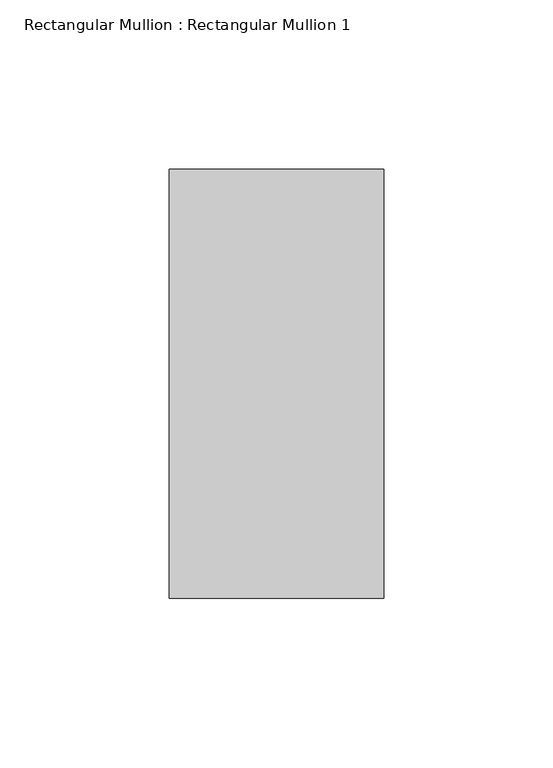
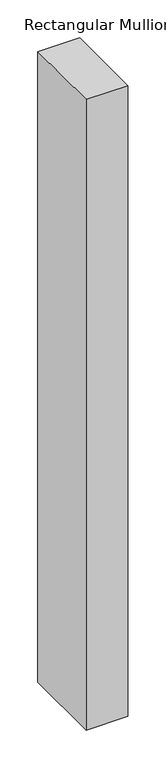
"""IFC4 building model written with IfcOpenShell, lengths in millimetres: member geometry, Rectangular Mullion : Rectangular Mullion 1."""

from ifc_helpers import new_model, si_unit, frame, origin, place, context, project, spatial, polyline, outline, extrude, source, transform, mapped, element, save


def rectangular_mullion_rectangular_mullion_1_8e09d03a(model_context):
    return source(origin(), model_context, "Body", "SweptSolid", [
        extrude(outline(polyline([(0.0, 63.5), (0.0, -63.5), (-63.5, -63.5), (-63.5, 63.5), (0.0, 63.5)])), frame((0.0, 0.0, -1016.0), z_axis=(0.0, 0.0, 1.0), x_axis=(1.0, 0.0, 0.0)), (0.0, 0.0, 1.0), 1016.0),
    ])


if __name__ == "__main__":
    model = new_model("IFC4")
    model_context = context("Model", 3, world=origin())
    ifc_project = project(units=[si_unit("LENGTHUNIT", "METRE", prefix="MILLI")], contexts=[model_context])
    site = spatial("IfcSite", under=ifc_project)
    building = spatial("IfcBuilding", under=site)
    placement = place(None, origin())
    rectangular_mullion_rectangular_mullion_1_shape = rectangular_mullion_rectangular_mullion_1_8e09d03a(model_context)
    element("IfcMember", 1, ObjectType="Rectangular Mullion : Rectangular Mullion 1", at=placement, inside=building, context=model_context, shape_type="MappedRepresentation", body=[
        mapped(rectangular_mullion_rectangular_mullion_1_shape, transform((0.0, 0.0, 0.0), x_axis=(1.0, 0.0, 0.0), y_axis=(0.0, 1.0, 0.0), z_axis=(0.0, 0.0, 1.0))),
    ])
    save(model, "model.ifc")
